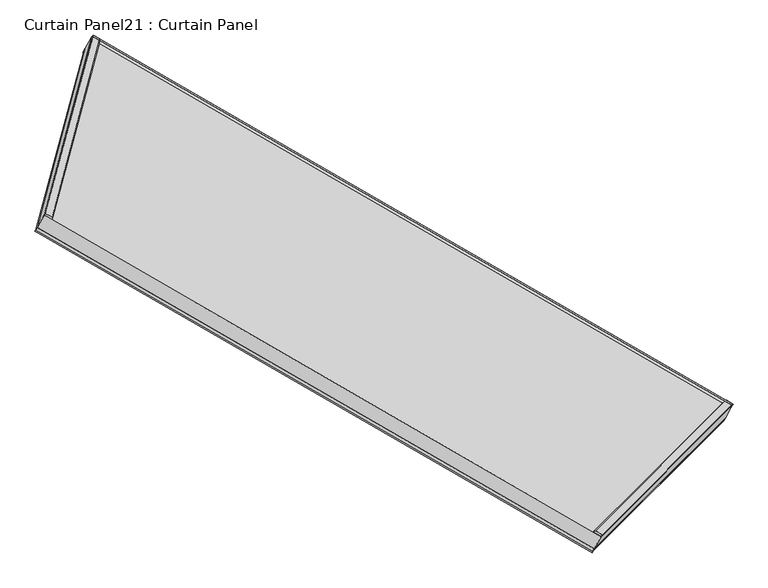
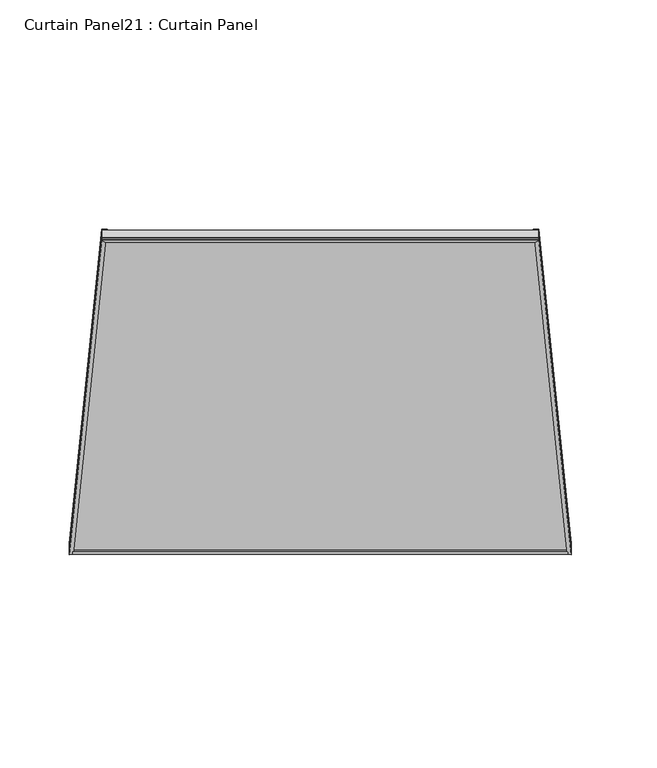
"""IFC4 building model written with IfcOpenShell, lengths in millimetres: plate geometry, Curtain Panel21 : Curtain Panel."""

from ifc_helpers import new_model, si_unit, frame, origin, place, context, project, spatial, polyline, outline, extrude, source, transform, mapped, element, save


def curtain_panel21_curtain_panel_f111e991(model_context):
    return source(origin(), model_context, "Body", "SweptSolid", [
        extrude(outline(polyline([(41.5313813, -0.3142864), (41.5313812, -12.7413802), (36.8101563, -17.22335), (36.8101562, -0.3142864), (41.5313813, -0.3142864)])), frame((-10071.2840635, -11552.5972076, 980.1683943), z_axis=(-0.8660254037844354, 0.5000000000000059, 0.0), x_axis=(0.4840501729431931, 0.8383994929500994, 0.250562807085731)), (0.0, 0.0, 1.0), 1545.7655054),
        extrude(outline(polyline([(6.6476562, -0.3142863), (6.6476563, -11.8491024), (-0.0992188, -10.652776), (-0.0992187, -0.3142864), (6.6476562, -0.3142863)])), frame((-10071.2840635, -11552.5972076, 980.1683943), z_axis=(-0.8660254037844354, 0.5000000000000059, 0.0), x_axis=(0.4840501729431931, 0.8383994929500994, 0.250562807085731)), (0.0, 0.0, 1.0), 1545.7655054),
        extrude(outline(polyline([(0.2493663, 0.0), (-3.1125165, 0.6123806), (-0.3259282, 11.3899108), (6.6476562, 13.2873734), (6.6476563, 0.0), (0.2493663, 0.0)])), frame((-10344.8340111, -11826.1471557, 2423.9422784), z_axis=(-0.8660254037844354, 0.5000000000000058, 0.0), x_axis=(0.48405017294319297, 0.8383994929500994, 0.250562807085731)), (0.0, 0.0, 1.0), 1345.5130457),
        extrude(outline(polyline([(41.5454159, -0.3732289), (41.5846913, -16.5094781), (36.8101562, -19.55246), (36.8101562, -0.3847544), (41.5454159, -0.3732289)])), frame((-11409.9562594, -10779.7144549, 980.1683943), z_axis=(-0.06698729810778119, -0.24999999999999942, 0.9659258262890683), x_axis=(0.48405017294319297, 0.8383994929500994, 0.2505628070857309)), (0.0, 0.0, 1.0), 1494.7047121),
        extrude(outline(polyline([(0.2976562, 0.0210532), (6.6476562, 0.0210532), (6.6476562, -11.4539207), (0.2964421, -13.0977358), (-2.8857055, -0.8028614), (0.2976562, 0.0210532)])), frame((-11409.9562594, -10779.7144549, 980.1683943), z_axis=(-0.06698729810778119, -0.24999999999999942, 0.9659258262890683), x_axis=(0.48405017294319297, 0.8383994929500994, 0.2505628070857309)), (0.0, 0.0, 1.0), 1494.7047121),
        extrude(outline(polyline([(36.8101562, 19.5769881), (41.5540611, 16.5535278), (41.5446651, 0.3958826), (36.8101562, 0.3958825), (36.8101562, 19.5769881)])), frame((-10071.2657898, -11552.6077579, 980.1683943), z_axis=(-0.18301270189220228, -0.18301270189222846, 0.9659258262890699), x_axis=(0.4840501729431929, 0.8383994929500994, 0.25056280708573103)), (0.0, 0.0, 1.0), 1494.7047121),
        extrude(outline(polyline([(6.6476562, 11.4985764), (6.6476562, 0.0), (0.3888492, 0.0), (-2.8799803, 0.8460354), (0.3021673, 13.1409097), (6.6476562, 11.4985764)])), frame((-10071.2657898, -11552.6077579, 980.1683943), z_axis=(-0.18301270189220228, -0.18301270189222846, 0.9659258262890699), x_axis=(0.4840501729431929, 0.8383994929500994, 0.25056280708573103)), (0.0, 0.0, 1.0), 1494.7047121),
        extrude(outline(polyline([(-69.1681417, -1e-07), (-172.7147964, -1542.2934508), (-1654.0051373, -1342.4907919), (-1563.8728538, -1e-07), (-69.1681417, -1e-07)])), frame((-11402.1444476, -10756.917226, 915.327016), z_axis=(0.48405017294319297, 0.8383994929500994, 0.250562807085731), x_axis=(0.06698729810778214, 0.24999999999999895, -0.9659258262890684)), (0.0, 0.0, 1.0), 30.1625),
    ])


if __name__ == "__main__":
    model = new_model("IFC4")
    model_context = context("Model", 3, world=origin())
    ifc_project = project(units=[si_unit("LENGTHUNIT", "METRE", prefix="MILLI")], contexts=[model_context])
    site = spatial("IfcSite", under=ifc_project)
    building = spatial("IfcBuilding", under=site)
    placement = place(None, origin())
    curtain_panel21_curtain_panel_shape = curtain_panel21_curtain_panel_f111e991(model_context)
    element("IfcPlate", 1, ObjectType="Curtain Panel21 : Curtain Panel", at=placement, inside=building, context=model_context, shape_type="MappedRepresentation", body=[
        mapped(curtain_panel21_curtain_panel_shape, transform((0.0, 0.0, 0.0), x_axis=(1.0, 0.0, 0.0), y_axis=(0.0, 1.0, 0.0), z_axis=(0.0, 0.0, 1.0))),
    ])
    save(model, "model.ifc")
